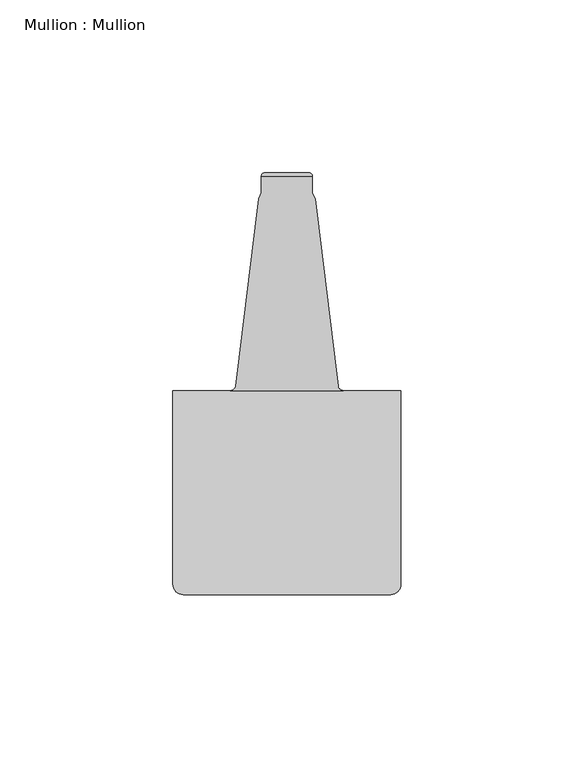
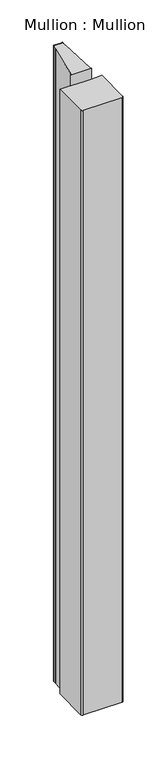
"""IFC4 building model written with IfcOpenShell, lengths in millimetres: proxy geometry, Mullion : Mullion."""

from ifc_helpers import new_model, si_unit, frame, origin, place, context, project, spatial, polyline, circle_curve, ellipse_curve, source, transform, mapped, element, save
from ifc_brep_helpers import plane_surface, cylinder_surface, revolved_surface, advanced_brep


def mullion_mullion_ebab4cc0(model_context):
    return source(origin(), model_context, "Body", "AdvancedBrep", [
        advanced_brep(
        [(-16.3270879, -63.0, -194.8315272), (-33.0, -63.0, -194.8315272), (-33.0, -63.0, 805.1684728), (-16.3270879, -63.0, 805.1684728), (-33.0, -119.0, -194.8315272), (-33.0, -119.0, 805.1684728), (-30.0, -122.0, -194.8315272), (30.0, -122.0, -194.8315272), (30.0, -122.0, 805.1684728), (-30.0, -122.0, 805.1684728), (33.0, -119.0, -194.8315272), (33.0, -63.0, -194.8315272), (33.0, -63.0, 805.1684728), (33.0, -119.0, 805.1684728), (16.3270879, -63.0, -194.8315272), (16.3270879, -63.0, 805.1684728), (14.8419376, -61.7105435, -212.9898525), (8.1893048, -7.4390653, -219.6535522), (8.1893048, -7.4390653, 829.9904978), (14.8419376, -61.7105435, 823.3267982), (-8.1893048, -7.4390653, -219.6535522), (-14.8419376, -61.7105435, -212.9898525), (-14.8419376, -61.7105435, 823.3267982), (-8.1893048, -7.4390653, 829.9904978), (-16.3270879, -63.0, -212.8315272), (16.3270879, -63.0, -212.8315272), (7.4, -1.0, -220.4315272), (-7.4, -1.0, -220.4315272), (-6.4, 0.0, -220.4315272), (6.4, 0.0, -220.4315272), (-7.4, -5.6970329, -219.8674469), (7.4, -5.6970329, -219.8674469), (16.3270879, -63.0, 823.1684728), (-16.3270879, -63.0, 823.1684728), (-7.4, -1.0, 830.7684728), (7.4, -1.0, 830.7684728), (6.4, 0.0, 830.7684728), (-6.4, 0.0, 830.7684728), (7.4, -5.6970329, 830.2043925), (-7.4, -5.6970329, 830.2043925)],
        [
            (0, 1),
            (1, 2),
            (2, 3),
            (3, 0),
            (1, 4),
            (4, 5),
            (5, 2),
            (6, 7),
            (7, 8),
            (8, 9),
            (9, 6),
            (10, 11),
            (11, 12),
            (12, 13),
            (13, 10),
            (11, 14),
            (14, 15),
            (15, 12),
            (16, 17),
            (17, 18),
            (18, 19),
            (19, 16),
            (20, 21),
            (21, 22),
            (22, 23),
            (23, 20),
            (14, 0),
            (0, 24),
            (24, 25),
            (25, 14),
            (10, 7, circle_curve(frame((30.0, -119.0, -194.8315272), z_axis=(0.0, 0.0, -1.0), x_axis=(1.0, 0.0, 0.0)), 3.0)),
            (6, 4, circle_curve(frame((-30.0, -119.0, -194.8315272), z_axis=(0.0, 0.0, -1.0), x_axis=(1.0, 0.0, 0.0)), 3.0)),
            (26, 27),
            (27, 28, circle_curve(frame((-6.4, -1.0, -220.4315272), z_axis=(0.0, 0.0, -1.0), x_axis=(1.0, 0.0, 0.0)), 1.0)),
            (28, 29),
            (29, 26, circle_curve(frame((6.4, -1.0, -220.4315272), z_axis=(0.0, 0.0, -1.0), x_axis=(1.0, 0.0, 0.0)), 1.0)),
            (24, 21, ellipse_curve(frame((-16.3270879, -61.5, -213.015704), z_axis=(0.0, 0.12186934340514716, 0.9925461516413222), x_axis=(0.0, 0.9925461516413223, -0.12186934340514463)), 1.5112647, 1.5)),
            (20, 30),
            (30, 27),
            (26, 31),
            (31, 17),
            (16, 25, ellipse_curve(frame((16.3270879, -61.5, -213.015704), z_axis=(0.0, 0.12186934340514716, 0.9925461516413222), x_axis=(0.0, 0.9925461516413223, -0.12186934340514463)), 1.5112647, 1.5)),
            (3, 15),
            (15, 32),
            (32, 33),
            (33, 3),
            (5, 9, circle_curve(frame((-30.0, -119.0, 805.1684728), z_axis=(0.0, 0.0, 1.0), x_axis=(1.0, 0.0, 0.0)), 3.0)),
            (8, 13, circle_curve(frame((30.0, -119.0, 805.1684728), z_axis=(0.0, 0.0, 1.0), x_axis=(1.0, 0.0, 0.0)), 3.0)),
            (34, 35),
            (35, 36, circle_curve(frame((6.4, -1.0, 830.7684728), z_axis=(0.0, 0.0, 1.0), x_axis=(1.0, 0.0, 0.0)), 1.0)),
            (36, 37),
            (37, 34, circle_curve(frame((-6.4, -1.0, 830.7684728), z_axis=(0.0, 0.0, 1.0), x_axis=(1.0, 0.0, 0.0)), 1.0)),
            (32, 19, ellipse_curve(frame((16.3270879, -61.5, 823.3526496), z_axis=(0.0, 0.12186934340515176, -0.9925461516413215), x_axis=(0.0, -0.9925461516413217, -0.12186934340515095)), 1.5112647, 1.5)),
            (18, 38),
            (38, 35),
            (34, 39),
            (39, 23),
            (22, 33, ellipse_curve(frame((-16.3270879, -61.5, 823.3526496), z_axis=(0.0, 0.12186934340515176, -0.9925461516413215), x_axis=(0.0, -0.9925461516413217, -0.12186934340515095)), 1.5112647, 1.5)),
            (31, 38),
            (26, 35),
            (29, 36),
            (28, 37),
            (27, 34),
            (30, 39),
        ],
        [
            plane_surface(frame((-16.3270879, -63.0, 855.1684728), z_axis=(0.0, 1.0, 0.0), x_axis=(0.0, 0.0, -1.0))),
            plane_surface(frame((-33.0, -63.0, 855.1684728), z_axis=(-1.0, 0.0, 0.0), x_axis=(0.0, 0.0, -1.0))),
            plane_surface(frame((-30.0, -122.0, 855.1684728), z_axis=(0.0, -1.0, 0.0), x_axis=(0.0, 0.0, -1.0))),
            plane_surface(frame((33.0, -119.0, 855.1684728), z_axis=(1.0, 0.0, 0.0), x_axis=(0.0, 0.0, -1.0))),
            plane_surface(frame((33.0, -63.0, 855.1684728), z_axis=(0.0, 1.0, 0.0), x_axis=(0.0, 0.0, -1.0))),
            plane_surface(frame((14.8419376, -61.7105435, 855.1684728), z_axis=(0.992570614202236, 0.12166994625706033, 0.0), x_axis=(0.0, 0.0, -1.0))),
            plane_surface(frame((-8.1893048, -7.4390653, 855.1684728), z_axis=(-0.9925706142022382, 0.1216699462570421, 0.0), x_axis=(0.0, 0.0, -1.0))),
            plane_surface(frame((250.0, -63.0, -212.8315272), z_axis=(0.0, -1.0, 0.0), x_axis=(-1.0, 0.0, 0.0))),
            plane_surface(frame((250.0, -63.0, -194.8315272), z_axis=(0.0, 0.0, -1.0), x_axis=(-1.0, 0.0, 0.0))),
            plane_surface(frame((250.0, 0.0, -220.4315272), z_axis=(0.0, 0.0, -1.0), x_axis=(-1.0, 0.0, 0.0))),
            plane_surface(frame((250.0, -1.1029671, -220.4315272), z_axis=(0.0, -0.12186934340514716, -0.9925461516413222), x_axis=(-1.0, 0.0, 0.0))),
            plane_surface(frame((250.0, -63.0, 805.1684728), z_axis=(0.0, -1.0, 0.0), x_axis=(-1.0, 0.0, 0.0))),
            plane_surface(frame((250.0, -122.0, 805.1684728), z_axis=(0.0, 0.0, 1.0), x_axis=(-1.0, 0.0, 0.0))),
            plane_surface(frame((250.0, -1.1029671, 830.7684728), z_axis=(0.0, 0.0, 1.0), x_axis=(-1.0, 0.0, 0.0))),
            plane_surface(frame((250.0, -63.0, 823.1684728), z_axis=(0.0, -0.12186934340515176, 0.9925461516413215), x_axis=(-1.0, 0.0, 0.0))),
            revolved_surface(polyline([(-14.827087899999999, -61.5, -213.19988083670037), (-14.827087899999999, -61.5, 823.5368264367003)]), (-16.3270879, -61.5, -244.8315272), (0.0, 0.0, -1.0)),
            cylinder_surface(frame((-30.0, -119.0, -244.8315272), z_axis=(0.0, 0.0, 1.0), x_axis=(1.0, 0.0, 0.0)), 3.0),
            cylinder_surface(frame((30.0, -119.0, -244.8315272), z_axis=(0.0, 0.0, 1.0), x_axis=(1.0, 0.0, 0.0)), 3.0),
            revolved_surface(polyline([(17.8270879, -61.5, -213.19988083670037), (17.8270879, -61.5, 823.5368264367003)]), (16.3270879, -61.5, -244.8315272), (0.0, 0.0, -1.0)),
            plane_surface(frame((8.1893048, -7.4390653, 855.1684728), z_axis=(0.9108637981505031, 0.4127070888885235, 0.0), x_axis=(0.0, 0.0, -1.0))),
            plane_surface(frame((7.4, -5.6970329, 855.1684728), z_axis=(1.0, 0.0, 0.0), x_axis=(0.0, 0.0, -1.0))),
            cylinder_surface(frame((6.4, -1.0, -244.8315272), z_axis=(0.0, 0.0, 1.0), x_axis=(1.0, 0.0, 0.0)), 1.0),
            plane_surface(frame((6.4, 0.0, 855.1684728), z_axis=(0.0, 1.0, 0.0), x_axis=(0.0, 0.0, -1.0))),
            cylinder_surface(frame((-6.4, -1.0, -244.8315272), z_axis=(0.0, 0.0, 1.0), x_axis=(1.0, 0.0, 0.0)), 1.0),
            plane_surface(frame((-7.4, -1.0, 855.1684728), z_axis=(-1.0, 0.0, 0.0), x_axis=(0.0, 0.0, -1.0))),
            plane_surface(frame((-7.4, -5.6970329, 855.1684728), z_axis=(-0.9108637981452258, 0.41270708890017077, 0.0), x_axis=(0.0, 0.0, -1.0))),
        ],
        [
            (0, [[1, 2, 3, 4]]),
            (1, [[5, 6, 7, -2]]),
            (2, [[8, 9, 10, 11]]),
            (3, [[12, 13, 14, 15]]),
            (4, [[16, 17, 18, -13]]),
            (5, [[19, 20, 21, 22]]),
            (6, [[23, 24, 25, 26]]),
            (7, [[27, 28, 29, 30]]),
            (8, [[-27, -16, -12, 31, -8, 32, -5, -1]]),
            (9, [[33, 34, 35, 36]]),
            (10, [[-29, 37, -23, 38, 39, -33, 40, 41, -19, 42]]),
            (11, [[43, 44, 45, 46]]),
            (12, [[-43, -3, -7, 47, -10, 48, -14, -18]]),
            (13, [[49, 50, 51, 52]]),
            (14, [[-45, 53, -21, 54, 55, -49, 56, 57, -25, 58]]),
            (15, [[-28, -4, -46, -58, -24, -37]]),
            (16, [[-32, -11, -47, -6]]),
            (17, [[-31, -15, -48, -9]]),
            (18, [[-30, -42, -22, -53, -44, -17]]),
            (19, [[-41, 59, -54, -20]]),
            (20, [[-40, 60, -55, -59]]),
            (21, [[-36, 61, -50, -60]]),
            (22, [[-35, 62, -51, -61]]),
            (23, [[-34, 63, -52, -62]]),
            (24, [[-39, 64, -56, -63]]),
            (25, [[-38, -26, -57, -64]]),
        ],
    ),
    ])


if __name__ == "__main__":
    model = new_model("IFC4")
    model_context = context("Model", 3, world=origin())
    ifc_project = project(units=[si_unit("LENGTHUNIT", "METRE", prefix="MILLI")], contexts=[model_context])
    site = spatial("IfcSite", under=ifc_project)
    building = spatial("IfcBuilding", under=site)
    placement = place(None, origin())
    mullion_mullion_shape = mullion_mullion_ebab4cc0(model_context)
    element("IfcBuildingElementProxy", 1, Name="Mullion : Mullion", ObjectType="Mullion : Mullion", at=placement, inside=building, context=model_context, shape_type="MappedRepresentation", body=[
        mapped(mullion_mullion_shape, transform((0.0, 0.0, 0.0), x_axis=(1.0, 0.0, 0.0), y_axis=(0.0, 1.0, 0.0), z_axis=(0.0, 0.0, 1.0))),
    ])
    save(model, "model.ifc")
